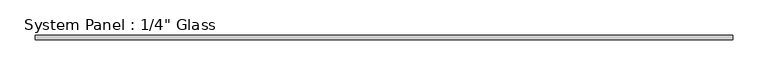
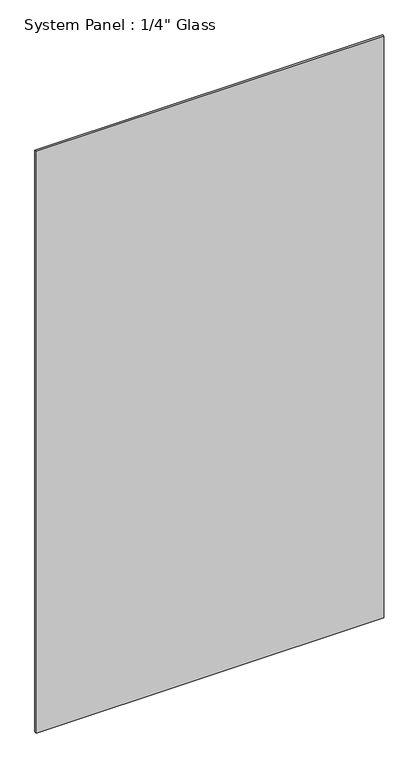
"""IFC4 building model written with IfcOpenShell, lengths in millimetres: plate geometry."""

from ifc_helpers import new_model, si_unit, origin, origin_with_axes, place, context, project, spatial, polyline, outline, extrude, source, transform, mapped, element, save


def plate_bcc65882(model_context):
    return source(origin(), model_context, "Body", "SweptSolid", [
        extrude(outline(polyline([(491.8433528, -3.175), (-491.8433528, -3.175), (-491.8433528, 3.175), (491.8433528, 3.175), (491.8433528, -3.175)])), origin_with_axes(), (0.0, 0.0, 1.0), 1739.9),
    ])


if __name__ == "__main__":
    model = new_model("IFC4")
    model_context = context("Model", 3, world=origin())
    ifc_project = project(units=[si_unit("LENGTHUNIT", "METRE", prefix="MILLI")], contexts=[model_context])
    site = spatial("IfcSite", under=ifc_project)
    building = spatial("IfcBuilding", under=site)
    placement = place(None, origin())
    plate_shape = plate_bcc65882(model_context)
    element("IfcPlate", 1, ObjectType="System Panel : 1/4\" Glass", at=placement, inside=building, context=model_context, shape_type="MappedRepresentation", body=[
        mapped(plate_shape, transform((0.0, 0.0, 0.0), x_axis=(1.0, 0.0, 0.0), y_axis=(0.0, 1.0, 0.0), z_axis=(0.0, 0.0, 1.0))),
    ])
    save(model, "model.ifc")
